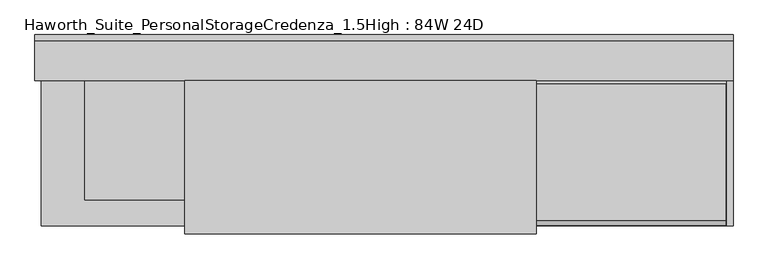
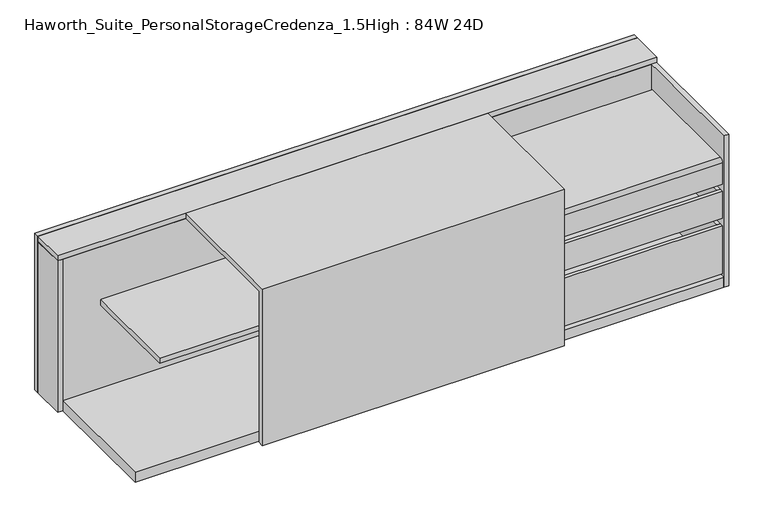
"""IFC4 building model written with IfcOpenShell, lengths in millimetres: furniture geometry, Haworth_Suite_PersonalStorageCredenza_1.5High : 84W 24D."""

from ifc_helpers import new_model, si_unit, point, frame, frame_2d, origin, origin_with_axes, place, context, project, spatial, polyline, circle_curve, trimmed, segment, composite_curve, outline, extrude, source, transform, mapped, element, save


def haworth_suite_personalstoragecredenza_1_5high_84w_24d_bb79b96b(model_context):
    return source(origin(), model_context, "Body", "SweptSolid", [
        extrude(outline(polyline([(479.425, -582.6125), (479.425, -201.6125), (492.125, -201.6125), (492.125, -582.6125), (479.425, -582.6125)])), frame((0.0, 0.0, 50.8), z_axis=(0.0, 0.0, 1.0), x_axis=(1.0, 0.0, 0.0)), (0.0, 0.0, 1.0), 311.15),
        extrude(outline(polyline([(142.875, -201.6125), (155.575, -201.6125), (155.575, -582.6125), (142.875, -582.6125), (142.875, -201.6125)])), frame((0.0, 0.0, 50.8), z_axis=(0.0, 0.0, 1.0), x_axis=(1.0, 0.0, 0.0)), (0.0, 0.0, 1.0), 311.15),
        extrude(outline(polyline([(142.875, -201.6125), (142.875, -188.9125), (492.125, -188.9125), (492.125, -201.6125), (142.875, -201.6125)])), frame((0.0, 0.0, 50.8), z_axis=(0.0, 0.0, 1.0), x_axis=(1.0, 0.0, 0.0)), (0.0, 0.0, 1.0), 311.15),
        extrude(outline(polyline([(142.875, -595.3125), (142.875, -582.6125), (492.125, -582.6125), (492.125, -595.3125), (142.875, -595.3125)])), frame((0.0, 0.0, 50.8), z_axis=(0.0, 0.0, 1.0), x_axis=(1.0, 0.0, 0.0)), (0.0, 0.0, 1.0), 311.15),
        extrude(outline(polyline([(155.575, -582.6125), (155.575, -201.6125), (479.425, -201.6125), (479.425, -582.6125), (155.575, -582.6125)])), frame((0.0, 0.0, 50.8), z_axis=(0.0, 0.0, 1.0), x_axis=(1.0, 0.0, 0.0)), (0.0, 0.0, 1.0), 12.7),
        extrude(outline(polyline([(-163.5125, 479.425), (-162.3785714, 478.2910714), (-263.9785714, 402.0910714), (-265.1125, 403.225), (-163.5125, 479.425)])), frame((142.875, 0.0, 0.0), z_axis=(1.0, 0.0, 0.0), x_axis=(0.0, 1.0, 0.0)), (0.0, 0.0, 1.0), 349.25),
        extrude(outline(polyline([(-366.7125, 479.425), (-365.5785714, 478.2910714), (-467.1785714, 402.0910714), (-468.3125, 403.225), (-366.7125, 479.425)])), frame((142.875, 0.0, 0.0), z_axis=(1.0, 0.0, 0.0), x_axis=(0.0, 1.0, 0.0)), (0.0, 0.0, 1.0), 349.25),
        extrude(outline(polyline([(0.0, -127.0), (0.0, 0.0), (349.25, 0.0), (349.25, -127.0), (0.0, -127.0)])), frame((142.875, -264.16, 478.155), z_axis=(0.0, -0.5999999999999731, 0.8000000000000203), x_axis=(1.0, 0.0, 0.0)), (0.0, 0.0, 1.0), 1.5875),
        extrude(outline(polyline([(142.875, -593.725), (142.875, -163.5125), (492.125, -163.5125), (492.125, -593.725), (142.875, -593.725)])), frame((0.0, 0.0, 387.35), z_axis=(0.0, 0.0, 1.0), x_axis=(1.0, 0.0, 0.0)), (0.0, 0.0, 1.0), 15.875),
        extrude(outline(composite_curve([segment(trimmed(circle_curve(frame_2d((-582.6125, 468.3125)), 12.7), [point((-595.3125, 468.3125))], [point((-582.6125, 481.0125))], False, "CARTESIAN"), True, "CONTINUOUS"), segment(polyline([(-582.6125, 481.0125), (-468.3125, 481.0125), (-468.3125, 479.425), (-582.6125, 479.425)]), True, "CONTINUOUS"), segment(trimmed(circle_curve(frame_2d((-582.6125, 468.3125)), 11.1125), [point((-582.6125, 479.425))], [point((-593.725, 468.3125))], True, "CARTESIAN"), True, "CONTINUOUS"), segment(polyline([(-593.725, 468.3125), (-593.725, 387.35), (-595.3125, 387.35), (-595.3125, 468.3125)]), True, "CONTINUOUS")], self_intersect=False)), frame((142.875, 0.0, 0.0), z_axis=(1.0, 0.0, 0.0), x_axis=(0.0, 1.0, 0.0)), (0.0, 0.0, 1.0), 349.25),
        extrude(outline(composite_curve([segment(trimmed(circle_curve(frame_2d((-582.6125, 468.3125)), 12.7), [point((-595.3125, 468.3125))], [point((-582.6125, 481.0125))], False, "CARTESIAN"), True, "CONTINUOUS"), segment(polyline([(-582.6125, 481.0125), (-163.5125, 481.0125), (-163.5125, 479.425), (-582.6125, 479.425)]), True, "CONTINUOUS"), segment(trimmed(circle_curve(frame_2d((-582.6125, 468.3125)), 11.1125), [point((-582.6125, 479.425))], [point((-593.725, 468.3125))], True, "CARTESIAN"), True, "CONTINUOUS"), segment(polyline([(-593.725, 468.3125), (-593.725, 387.35), (-595.3125, 387.35), (-595.3125, 468.3125)]), True, "CONTINUOUS")], self_intersect=False)), frame((517.525, 0.0, 0.0), z_axis=(1.0, 0.0, 0.0), x_axis=(0.0, 1.0, 0.0)), (0.0, 0.0, 1.0), 666.75),
        extrude(outline(polyline([(1171.575, -582.6125), (1171.575, -201.6125), (1184.275, -201.6125), (1184.275, -582.6125), (1171.575, -582.6125)])), frame((0.0, 0.0, 260.35), z_axis=(0.0, 0.0, 1.0), x_axis=(1.0, 0.0, 0.0)), (0.0, 0.0, 1.0), 101.6),
        extrude(outline(polyline([(517.525, -201.6125), (530.225, -201.6125), (530.225, -582.6125), (517.525, -582.6125), (517.525, -201.6125)])), frame((0.0, 0.0, 260.35), z_axis=(0.0, 0.0, 1.0), x_axis=(1.0, 0.0, 0.0)), (0.0, 0.0, 1.0), 101.6),
        extrude(outline(polyline([(517.525, -201.6125), (517.525, -188.9125), (1184.275, -188.9125), (1184.275, -201.6125), (517.525, -201.6125)])), frame((0.0, 0.0, 260.35), z_axis=(0.0, 0.0, 1.0), x_axis=(1.0, 0.0, 0.0)), (0.0, 0.0, 1.0), 101.6),
        extrude(outline(polyline([(517.525, -595.3125), (517.525, -582.6125), (1184.275, -582.6125), (1184.275, -595.3125), (517.525, -595.3125)])), frame((0.0, 0.0, 260.35), z_axis=(0.0, 0.0, 1.0), x_axis=(1.0, 0.0, 0.0)), (0.0, 0.0, 1.0), 101.6),
        extrude(outline(polyline([(530.225, -582.6125), (530.225, -201.6125), (1171.575, -201.6125), (1171.575, -582.6125), (530.225, -582.6125)])), frame((0.0, 0.0, 260.35), z_axis=(0.0, 0.0, 1.0), x_axis=(1.0, 0.0, 0.0)), (0.0, 0.0, 1.0), 12.7),
        extrude(outline(polyline([(1171.575, -582.6125), (1171.575, -201.6125), (1184.275, -201.6125), (1184.275, -582.6125), (1171.575, -582.6125)])), frame((0.0, 0.0, 50.8), z_axis=(0.0, 0.0, 1.0), x_axis=(1.0, 0.0, 0.0)), (0.0, 0.0, 1.0), 180.975),
        extrude(outline(polyline([(517.525, -201.6125), (530.225, -201.6125), (530.225, -582.6125), (517.525, -582.6125), (517.525, -201.6125)])), frame((0.0, 0.0, 50.8), z_axis=(0.0, 0.0, 1.0), x_axis=(1.0, 0.0, 0.0)), (0.0, 0.0, 1.0), 180.975),
        extrude(outline(polyline([(517.525, -201.6125), (517.525, -188.9125), (1184.275, -188.9125), (1184.275, -201.6125), (517.525, -201.6125)])), frame((0.0, 0.0, 50.8), z_axis=(0.0, 0.0, 1.0), x_axis=(1.0, 0.0, 0.0)), (0.0, 0.0, 1.0), 180.975),
        extrude(outline(polyline([(517.525, -595.3125), (517.525, -582.6125), (1184.275, -582.6125), (1184.275, -595.3125), (517.525, -595.3125)])), frame((0.0, 0.0, 50.8), z_axis=(0.0, 0.0, 1.0), x_axis=(1.0, 0.0, 0.0)), (0.0, 0.0, 1.0), 180.975),
        extrude(outline(polyline([(530.225, -582.6125), (530.225, -201.6125), (1171.575, -201.6125), (1171.575, -582.6125), (530.225, -582.6125)])), frame((0.0, 0.0, 50.8), z_axis=(0.0, 0.0, 1.0), x_axis=(1.0, 0.0, 0.0)), (0.0, 0.0, 1.0), 12.7),
        extrude(outline(polyline([(-603.25, 0.0), (-622.3, 0.0), (-622.3, 588.9625), (-152.4, 588.9625), (-152.4, 569.9125), (-603.25, 569.9125), (-603.25, 0.0)])), frame((-469.9, 0.0, 0.0), z_axis=(1.0, 0.0, 0.0), x_axis=(0.0, 1.0, 0.0)), (0.0, 0.0, 1.0), 1074.7375),
        extrude(outline(polyline([(514.35, -596.9), (495.3, -596.9), (495.3, -152.4), (514.35, -152.4), (514.35, -596.9)])), frame((0.0, 0.0, 38.1), z_axis=(0.0, 0.0, 1.0), x_axis=(1.0, 0.0, 0.0)), (0.0, 0.0, 1.0), 444.5),
        extrude(outline(polyline([(749.3, -133.35), (730.25, -133.35), (730.25, -31.75), (749.3, -31.75), (749.3, -133.35)])), origin_with_axes(), (0.0, 0.0, 1.0), 569.9125),
        extrude(outline(polyline([(139.7, -133.35), (120.65, -133.35), (120.65, -31.75), (139.7, -31.75), (139.7, -133.35)])), origin_with_axes(), (0.0, 0.0, 1.0), 569.9125),
        extrude(outline(polyline([(139.7, -596.9), (120.65, -596.9), (120.65, -152.4), (139.7, -152.4), (139.7, -596.9)])), frame((0.0, 0.0, 38.1), z_axis=(0.0, 0.0, 1.0), x_axis=(1.0, 0.0, 0.0)), (0.0, 0.0, 1.0), 531.8125),
        extrude(outline(polyline([(-908.05, -152.4), (-927.1, -152.4), (-927.1, -31.75), (-908.05, -31.75), (-908.05, -152.4)])), origin_with_axes(), (0.0, 0.0, 1.0), 569.9125),
        extrude(outline(polyline([(120.65, -152.4), (120.65, -517.525), (-774.7, -517.525), (-774.7, -152.4), (120.65, -152.4)])), frame((0.0, 0.0, 352.425), z_axis=(0.0, 0.0, 1.0), x_axis=(1.0, 0.0, 0.0)), (0.0, 0.0, 1.0), 19.05),
        extrude(outline(polyline([(1206.5, -31.75), (1206.5, -152.4), (-927.1, -152.4), (-927.1, -31.75), (1206.5, -31.75)])), frame((0.0, 0.0, 569.9125), z_axis=(0.0, 0.0, 1.0), x_axis=(1.0, 0.0, 0.0)), (0.0, 0.0, 1.0), 19.05),
        extrude(outline(polyline([(1187.45, -133.35), (1187.45, -152.4), (-908.05, -152.4), (-908.05, -133.35), (1187.45, -133.35)])), origin_with_axes(), (0.0, 0.0, 1.0), 569.9125),
        extrude(outline(polyline([(1206.5, -12.7), (1206.5, -31.75), (-927.1, -31.75), (-927.1, -12.7), (1206.5, -12.7)])), origin_with_axes(), (0.0, 0.0, 1.0), 588.9625),
        extrude(outline(polyline([(1187.45, -152.4), (1187.45, -596.9), (-908.05, -596.9), (-908.05, -152.4), (1187.45, -152.4)])), origin_with_axes(), (0.0, 0.0, 1.0), 38.1),
        extrude(outline(polyline([(1206.5, -596.9), (1187.45, -596.9), (1187.45, -31.75), (1206.5, -31.75), (1206.5, -596.9)])), origin_with_axes(), (0.0, 0.0, 1.0), 569.9125),
    ])


if __name__ == "__main__":
    model = new_model("IFC4")
    model_context = context("Model", 3, world=origin())
    ifc_project = project(units=[si_unit("LENGTHUNIT", "METRE", prefix="MILLI")], contexts=[model_context])
    site = spatial("IfcSite", under=ifc_project)
    building = spatial("IfcBuilding", under=site)
    placement = place(None, origin())
    haworth_suite_personalstoragecredenza_1_5high_84w_24d_shape = haworth_suite_personalstoragecredenza_1_5high_84w_24d_bb79b96b(model_context)
    element("IfcFurniture", 1, ObjectType="Haworth_Suite_PersonalStorageCredenza_1.5High : 84W 24D", at=placement, inside=building, context=model_context, shape_type="MappedRepresentation", body=[
        mapped(haworth_suite_personalstoragecredenza_1_5high_84w_24d_shape, transform((0.0, 0.0, 0.0), x_axis=(1.0, 0.0, 0.0), y_axis=(0.0, 1.0, 0.0), z_axis=(0.0, 0.0, 1.0))),
    ])
    save(model, "model.ifc")
